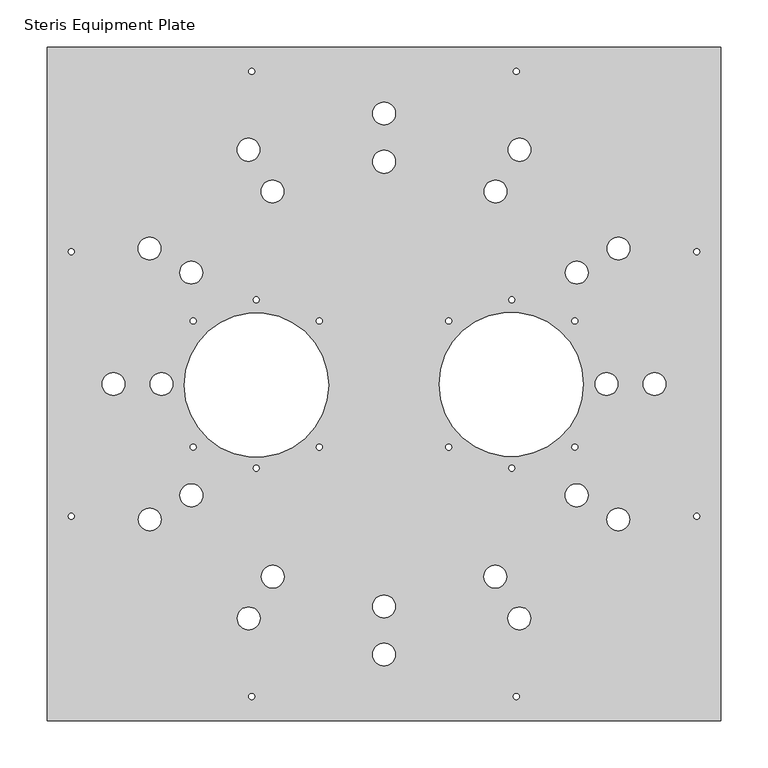
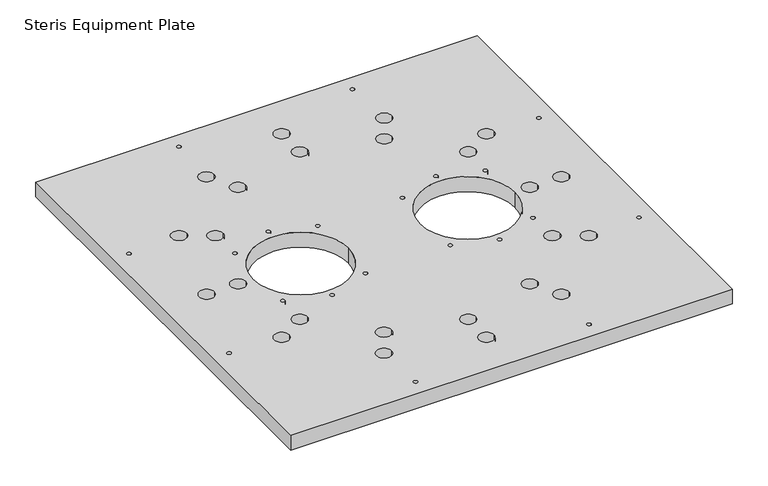
"""IFC4 building model written with IfcOpenShell, lengths in millimetres: fastener geometry, Steris Equipment Plate."""

import ifcopenshell
import ifcopenshell.guid

model = None  # the IFC model being written
_history = None  # IfcOwnerHistory: only IFC2X3 demands one
_inside = {}  # id of a spatial element -> (the spatial element, [elements in it])
_under = {}  # id of a project, library or spatial element -> (it, [spatial elements below it])
_declared = {}  # id of a project -> (the project, [libraries it declares])
_typed = {}  # id of a type object -> (the type object, [elements of that type])
_made_of = {}  # id of a material, layer set ... -> (it, [elements and type objects made of it])


def new_model(schema):
    """Start an empty IFC model of exactly this schema.

    Asked for "IFC4X3", IfcOpenShell would pick the latest addendum, in which some entities
    have other attributes; the version numbers below select the first issue.
    IFC2X3 requires an IfcOwnerHistory on every rooted entity: one is made here for all.
    """
    global model, _history
    if schema == "IFC4X3":
        model = ifcopenshell.file(schema_version=(4, 3, 0, 0))
    else:
        model = ifcopenshell.file(schema=schema)
    _inside.clear()
    _under.clear()
    _declared.clear()
    _typed.clear()
    _made_of.clear()
    _history = None
    if model.schema == "IFC2X3":
        org = make("IfcOrganization", Name="unknown")
        user = make(
            "IfcPersonAndOrganization",
            ThePerson=make("IfcPerson", FamilyName="unknown"),
            TheOrganization=org,
        )
        app = make(
            "IfcApplication",
            ApplicationDeveloper=org,
            Version="unknown",
            ApplicationFullName="unknown",
            ApplicationIdentifier="unknown",
        )
        _history = make(
            "IfcOwnerHistory",
            OwningUser=user,
            OwningApplication=app,
            ChangeAction="ADDED",
            CreationDate=0,
        )
    return model


def make(cls, **values):
    """One entity of the class cls with the attributes given. An attribute that is None is left unset."""
    return model.create_entity(
        cls, **{name: value for name, value in values.items() if value is not None}
    )


def rooted(cls, **values):
    """An entity with a GlobalId (a new one), such as an element, a storey or a relation."""
    return make(cls, GlobalId=ifcopenshell.guid.new(), OwnerHistory=_history, **values)


def si_unit(unit_type, name, prefix=None):
    """IfcSIUnit, for example si_unit("LENGTHUNIT", "METRE", prefix="MILLI")."""
    return make("IfcSIUnit", UnitType=unit_type, Prefix=prefix, Name=name)


def assignment(units):
    """IfcUnitAssignment: the units of a project."""
    return None if units is None else make("IfcUnitAssignment", Units=units)


def point(xyz):
    """IfcCartesianPoint."""
    return None if xyz is None else make("IfcCartesianPoint", Coordinates=xyz)


def direction(xyz):
    """IfcDirection."""
    return None if xyz is None else make("IfcDirection", DirectionRatios=xyz)


def frame(location, z_axis=None, x_axis=None):
    """IfcAxis2Placement3D, a coordinate frame: its origin and axes. An axis left out is left unset."""
    return make(
        "IfcAxis2Placement3D",
        Location=point(location),
        Axis=direction(z_axis),
        RefDirection=direction(x_axis),
    )


def frame_2d(location, x_axis=None):
    """IfcAxis2Placement2D, a coordinate frame in the plane: its origin and x axis."""
    return make(
        "IfcAxis2Placement2D", Location=point(location), RefDirection=direction(x_axis)
    )


def origin():
    """The frame at (0, 0, 0) with its axes left unset."""
    return frame((0.0, 0.0, 0.0))


def origin_with_axes():
    """The frame at (0, 0, 0) with the z axis (0, 0, 1) and the x axis (1, 0, 0) written out."""
    return frame((0.0, 0.0, 0.0), z_axis=(0.0, 0.0, 1.0), x_axis=(1.0, 0.0, 0.0))


def place(relative_to, where):
    """IfcLocalPlacement: puts the frame where relative to a parent placement (None: the world)."""
    return make(
        "IfcLocalPlacement", PlacementRelTo=relative_to, RelativePlacement=where
    )


def context(
    kind, dimensions, precision=None, world=None, true_north=None, identifier=None
):
    """IfcGeometricRepresentationContext, for example the 3D "Model" context."""
    return make(
        "IfcGeometricRepresentationContext",
        ContextIdentifier=identifier,
        ContextType=kind,
        CoordinateSpaceDimension=dimensions,
        Precision=precision,
        WorldCoordinateSystem=world,
        TrueNorth=true_north,
    )


def project(units=None, contexts=None):
    """IfcProject with its units and contexts."""
    return rooted(
        "IfcProject",
        Name="project",
        RepresentationContexts=contexts,
        UnitsInContext=assignment(units),
    )


def spatial(cls, under=None, at=None, **own):
    """A site, building, storey or space (cls), placed at a placement, below another one or the project."""
    s = rooted(cls, ObjectPlacement=at, **own)
    if under is not None:
        _under.setdefault(under.id(), (under, []))[1].append(s)
    return s


def polyline(points):
    """IfcPolyline through the points."""
    return make("IfcPolyline", Points=[point(p) for p in points])


def circle_curve(where, radius):
    """IfcCircle in the frame where."""
    return make("IfcCircle", Position=where, Radius=radius)


def trimmed(basis, trim1, trim2, sense, master):
    """IfcTrimmedCurve: the piece of a basis curve between two trims."""
    return make(
        "IfcTrimmedCurve",
        BasisCurve=basis,
        Trim1=trim1,
        Trim2=trim2,
        SenseAgreement=sense,
        MasterRepresentation=master,
    )


def segment(curve, same_sense, transition):
    """IfcCompositeCurveSegment."""
    return make(
        "IfcCompositeCurveSegment",
        Transition=transition,
        SameSense=same_sense,
        ParentCurve=curve,
    )


def composite_curve(segments, self_intersect=None):
    """IfcCompositeCurve: segments joined end to end."""
    return make("IfcCompositeCurve", Segments=segments, SelfIntersect=self_intersect)


def outline(outer, holes=None, kind="AREA"):
    """IfcArbitraryClosedProfileDef: a profile drawn as a closed curve; with holes, ...WithVoids."""
    if holes is None:
        return make("IfcArbitraryClosedProfileDef", ProfileType=kind, OuterCurve=outer)
    return make(
        "IfcArbitraryProfileDefWithVoids",
        ProfileType=kind,
        OuterCurve=outer,
        InnerCurves=holes,
    )


def extrude(swept, where, along, depth):
    """IfcExtrudedAreaSolid: the profile swept, set in the frame where, extruded along a direction by depth."""
    return make(
        "IfcExtrudedAreaSolid",
        SweptArea=swept,
        Position=where,
        ExtrudedDirection=direction(along),
        Depth=depth,
    )


def shape(context_of_items, identifier, shape_type, items):
    """IfcShapeRepresentation: the items that make up one representation, for example the "Body"."""
    return make(
        "IfcShapeRepresentation",
        ContextOfItems=context_of_items,
        RepresentationIdentifier=identifier,
        RepresentationType=shape_type,
        Items=items,
    )


def source(mapping_origin, context_of_items, identifier, shape_type, items):
    """IfcRepresentationMap: a shape defined once, which mapped items show again and again."""
    return make(
        "IfcRepresentationMap",
        MappingOrigin=mapping_origin,
        MappedRepresentation=shape(context_of_items, identifier, shape_type, items),
    )


def transform(
    local_origin,
    x_axis=None,
    y_axis=None,
    z_axis=None,
    scale=None,
    scale2=None,
    scale3=None,
    uniform=True,
):
    """IfcCartesianTransformationOperator3D, or its non-uniform kind. x_axis, y_axis, z_axis: its Axis1, 2, 3."""
    if uniform:
        return make(
            "IfcCartesianTransformationOperator3D",
            Axis1=direction(x_axis),
            Axis2=direction(y_axis),
            LocalOrigin=point(local_origin),
            Scale=scale,
            Axis3=direction(z_axis),
        )
    return make(
        "IfcCartesianTransformationOperator3DnonUniform",
        Axis1=direction(x_axis),
        Axis2=direction(y_axis),
        LocalOrigin=point(local_origin),
        Scale=scale,
        Axis3=direction(z_axis),
        Scale2=scale2,
        Scale3=scale3,
    )


def mapped(mapping_source, mapping_target):
    """IfcMappedItem: shows the shape of a source again, moved by a transform."""
    return make(
        "IfcMappedItem", MappingSource=mapping_source, MappingTarget=mapping_target
    )


def made_of(thing, what):
    """Note that an element or type object is made of a material, layer set ...; save() writes the relation."""
    if what is not None:
        _made_of.setdefault(what.id(), (what, []))[1].append(thing)
    return thing


def element(
    cls,
    number,
    at=None,
    inside=None,
    cuts=None,
    type_object=None,
    material=None,
    context=None,
    identifier="Body",
    shape_type=None,
    held_by="IfcProductDefinitionShape",
    body=None,
    shapes=None,
    **own,
):
    """One element of the class cls, such as IfcWall. Its Tag is "e" and its number.

    at: its placement. inside: the storey or other place that contains it. cuts: it is an
    opening in that element (IfcRelVoidsElement). A single representation is given by context,
    identifier, shape_type and body (its items); several are given by shapes. held_by: the class
    of the entity that holds the representations. save() writes the other relations.
    """
    e = rooted(cls, Tag="e%d" % number, ObjectPlacement=at, **own)
    if body is not None:
        shapes = [shape(context, identifier, shape_type, body)]
    if shapes is not None:
        e.Representation = make(held_by, Representations=shapes)
    if inside is not None:
        _inside.setdefault(inside.id(), (inside, []))[1].append(e)
    if cuts is not None:
        rooted(
            "IfcRelVoidsElement", RelatingBuildingElement=cuts, RelatedOpeningElement=e
        )
    if type_object is not None:
        _typed.setdefault(type_object.id(), (type_object, []))[1].append(e)
    return made_of(e, material)


def aggregate(whole, parts):
    """IfcRelAggregates: a whole, such as a stair, and the parts it consists of."""
    return rooted("IfcRelAggregates", RelatingObject=whole, RelatedObjects=parts)


def save(model, path):
    """Write the relations noted so far, then the file.

    IfcRelAggregates (storeys below a building ...), IfcRelContainedInSpatialStructure (elements
    in a storey), IfcRelDefinesByType, IfcRelAssociatesMaterial and IfcRelDeclares: one each for
    every whole, place, type object, material and project.
    """
    for whole, parts in _under.values():
        aggregate(whole, parts)
    for where, things in _inside.values():
        rooted(
            "IfcRelContainedInSpatialStructure",
            RelatedElements=things,
            RelatingStructure=where,
        )
    for kind, things in _typed.values():
        rooted("IfcRelDefinesByType", RelatedObjects=things, RelatingType=kind)
    for what, things in _made_of.values():
        rooted("IfcRelAssociatesMaterial", RelatedObjects=things, RelatingMaterial=what)
    for by, libraries in _declared.values():
        rooted("IfcRelDeclares", RelatingContext=by, RelatedDefinitions=libraries)
    model.write(path)


def steris_equipment_plate_7aba7738(model_context):
    return source(origin(), model_context, "Body", "SweptSolid", [
        extrude(outline(polyline([(355.8062228, 356.7452607), (355.8062228, -354.4547393), (-355.3937772, -354.4547393), (-355.3937772, 356.7452607), (355.8062228, 356.7452607)]), holes=[composite_curve([segment(trimmed(circle_curve(frame_2d((-134.5426921, 0.0)), 76.2), [point((-210.7426921, 0.0))], [point((-58.3426921, 0.0))], True, "CARTESIAN"), True, "CONTINUOUS"), segment(trimmed(circle_curve(frame_2d((-134.5426921, 0.0)), 76.2), [point((-58.3426921, 0.0))], [point((-210.7426921, 0.0))], True, "CARTESIAN"), True, "CONTINUOUS")], self_intersect=False), composite_curve([segment(trimmed(circle_curve(frame_2d((0.323437, 286.8952366)), 12.0232448), [point((-11.6998079, 286.8952366))], [point((12.3466818, 286.8952366))], True, "CARTESIAN"), True, "CONTINUOUS"), segment(trimmed(circle_curve(frame_2d((0.323437, 286.8952366)), 12.0232448), [point((12.3466818, 286.8952366))], [point((-11.6998079, 286.8952366))], True, "CARTESIAN"), True, "CONTINUOUS")], self_intersect=False), composite_curve([segment(trimmed(circle_curve(frame_2d((134.5385579, 0.79375)), 76.2), [point((58.3385579, 0.79375))], [point((210.7385579, 0.79375))], True, "CARTESIAN"), True, "CONTINUOUS"), segment(trimmed(circle_curve(frame_2d((134.5385579, 0.79375)), 76.2), [point((210.7385579, 0.79375))], [point((58.3385579, 0.79375))], True, "CARTESIAN"), True, "CONTINUOUS")], self_intersect=False), composite_curve([segment(trimmed(circle_curve(frame_2d((0.323437, 235.9593277)), 12.0232448), [point((-11.6998079, 235.9593277))], [point((12.3466818, 235.9593277))], True, "CARTESIAN"), True, "CONTINUOUS"), segment(trimmed(circle_curve(frame_2d((0.323437, 235.9593277)), 12.0232448), [point((12.3466818, 235.9593277))], [point((-11.6998079, 235.9593277))], True, "CARTESIAN"), True, "CONTINUOUS")], self_intersect=False), composite_curve([segment(trimmed(circle_curve(frame_2d((0.2242182, -233.8266479)), 12.0232448), [point((-11.7990266, -233.8266479))], [point((12.2474631, -233.8266479))], True, "CARTESIAN"), True, "CONTINUOUS"), segment(trimmed(circle_curve(frame_2d((0.2242182, -233.8266479)), 12.0232448), [point((12.2474631, -233.8266479))], [point((-11.7990266, -233.8266479))], True, "CARTESIAN"), True, "CONTINUOUS")], self_intersect=False), composite_curve([segment(trimmed(circle_curve(frame_2d((0.2242182, -284.6047388)), 12.0232448), [point((-11.7990266, -284.6047388))], [point((12.2474631, -284.6047388))], True, "CARTESIAN"), True, "CONTINUOUS"), segment(trimmed(circle_curve(frame_2d((0.2242182, -284.6047388)), 12.0232448), [point((12.2474631, -284.6047388))], [point((-11.7990266, -284.6047388))], True, "CARTESIAN"), True, "CONTINUOUS")], self_intersect=False), composite_curve([segment(trimmed(circle_curve(frame_2d((-139.5156528, 331.3199666)), 3.1535224), [point((-142.6691752, 331.3199666))], [point((-136.3621304, 331.3199666))], True, "CARTESIAN"), True, "CONTINUOUS"), segment(trimmed(circle_curve(frame_2d((-139.5156528, 331.3199666)), 3.1535224), [point((-136.3621304, 331.3199666))], [point((-142.6691752, 331.3199666))], True, "CARTESIAN"), True, "CONTINUOUS")], self_intersect=False), composite_curve([segment(trimmed(circle_curve(frame_2d((-329.9723506, 140.8632687)), 3.1535224), [point((-333.125873, 140.8632687))], [point((-326.8188282, 140.8632687))], True, "CARTESIAN"), True, "CONTINUOUS"), segment(trimmed(circle_curve(frame_2d((-329.9723506, 140.8632687)), 3.1535224), [point((-326.8188282, 140.8632687))], [point((-333.125873, 140.8632687))], True, "CARTESIAN"), True, "CONTINUOUS")], self_intersect=False), composite_curve([segment(trimmed(circle_curve(frame_2d((-134.7097996, 90.0452607)), 3.1535224), [point((-137.8633219, 90.0452607))], [point((-131.5562772, 90.0452607))], True, "CARTESIAN"), True, "CONTINUOUS"), segment(trimmed(circle_curve(frame_2d((-134.7097996, 90.0452607)), 3.1535224), [point((-131.5562772, 90.0452607))], [point((-137.8633219, 90.0452607))], True, "CARTESIAN"), True, "CONTINUOUS")], self_intersect=False), composite_curve([segment(trimmed(circle_curve(frame_2d((-201.4044423, 67.7652905)), 3.1535224), [point((-204.5579647, 67.7652905))], [point((-198.2509199, 67.7652905))], True, "CARTESIAN"), True, "CONTINUOUS"), segment(trimmed(circle_curve(frame_2d((-201.4044423, 67.7652905)), 3.1535224), [point((-198.2509199, 67.7652905))], [point((-204.5579647, 67.7652905))], True, "CARTESIAN"), True, "CONTINUOUS")], self_intersect=False), composite_curve([segment(trimmed(circle_curve(frame_2d((-68.0352755, 67.7652905)), 3.1535224), [point((-71.1887978, 67.7652905))], [point((-64.8817531, 67.7652905))], True, "CARTESIAN"), True, "CONTINUOUS"), segment(trimmed(circle_curve(frame_2d((-68.0352755, 67.7652905)), 3.1535224), [point((-64.8817531, 67.7652905))], [point((-71.1887978, 67.7652905))], True, "CARTESIAN"), True, "CONTINUOUS")], self_intersect=False), composite_curve([segment(trimmed(circle_curve(frame_2d((-68.0352755, -65.5847095)), 3.1535224), [point((-71.1887978, -65.5847095))], [point((-64.8817531, -65.5847095))], True, "CARTESIAN"), True, "CONTINUOUS"), segment(trimmed(circle_curve(frame_2d((-68.0352755, -65.5847095)), 3.1535224), [point((-64.8817531, -65.5847095))], [point((-71.1887978, -65.5847095))], True, "CARTESIAN"), True, "CONTINUOUS")], self_intersect=False), composite_curve([segment(trimmed(circle_curve(frame_2d((-134.7097996, -87.7547393)), 3.1535224), [point((-137.8633219, -87.7547393))], [point((-131.5562772, -87.7547393))], True, "CARTESIAN"), True, "CONTINUOUS"), segment(trimmed(circle_curve(frame_2d((-134.7097996, -87.7547393)), 3.1535224), [point((-131.5562772, -87.7547393))], [point((-137.8633219, -87.7547393))], True, "CARTESIAN"), True, "CONTINUOUS")], self_intersect=False), composite_curve([segment(trimmed(circle_curve(frame_2d((-201.3847996, -65.5297393)), 3.1535224), [point((-204.5383219, -65.5297393))], [point((-198.2312772, -65.5297393))], True, "CARTESIAN"), True, "CONTINUOUS"), segment(trimmed(circle_curve(frame_2d((-201.3847996, -65.5297393)), 3.1535224), [point((-198.2312772, -65.5297393))], [point((-204.5383219, -65.5297393))], True, "CARTESIAN"), True, "CONTINUOUS")], self_intersect=False), composite_curve([segment(trimmed(circle_curve(frame_2d((-139.5163777, -329.0179882)), 3.1535224), [point((-142.6699001, -329.0179882))], [point((-136.3628554, -329.0179882))], True, "CARTESIAN"), True, "CONTINUOUS"), segment(trimmed(circle_curve(frame_2d((-139.5163777, -329.0179882)), 3.1535224), [point((-136.3628554, -329.0179882))], [point((-142.6699001, -329.0179882))], True, "CARTESIAN"), True, "CONTINUOUS")], self_intersect=False), composite_curve([segment(trimmed(circle_curve(frame_2d((-329.972308, -138.5620579)), 3.1535224), [point((-333.1258304, -138.5620579))], [point((-326.8187856, -138.5620579))], True, "CARTESIAN"), True, "CONTINUOUS"), segment(trimmed(circle_curve(frame_2d((-329.972308, -138.5620579)), 3.1535224), [point((-326.8187856, -138.5620579))], [point((-333.1258304, -138.5620579))], True, "CARTESIAN"), True, "CONTINUOUS")], self_intersect=False), composite_curve([segment(trimmed(circle_curve(frame_2d((-117.5951859, 204.574538)), 12.0232448), [point((-129.6184308, 204.574538))], [point((-105.5719411, 204.574538))], True, "CARTESIAN"), True, "CONTINUOUS"), segment(trimmed(circle_curve(frame_2d((-117.5951859, 204.574538)), 12.0232448), [point((-105.5719411, 204.574538))], [point((-129.6184308, 204.574538))], True, "CARTESIAN"), True, "CONTINUOUS")], self_intersect=False), composite_curve([segment(trimmed(circle_curve(frame_2d((-142.9951859, 248.5686285)), 12.0232448), [point((-155.0184308, 248.5686285))], [point((-130.9719411, 248.5686285))], True, "CARTESIAN"), True, "CONTINUOUS"), segment(trimmed(circle_curve(frame_2d((-142.9951859, 248.5686285)), 12.0232448), [point((-130.9719411, 248.5686285))], [point((-155.0184308, 248.5686285))], True, "CARTESIAN"), True, "CONTINUOUS")], self_intersect=False), composite_curve([segment(trimmed(circle_curve(frame_2d((-203.4297037, 118.7400202)), 12.0232448), [point((-215.4529485, 118.7400202))], [point((-191.4064589, 118.7400202))], True, "CARTESIAN"), True, "CONTINUOUS"), segment(trimmed(circle_curve(frame_2d((-203.4297037, 118.7400202)), 12.0232448), [point((-191.4064589, 118.7400202))], [point((-215.4529485, 118.7400202))], True, "CARTESIAN"), True, "CONTINUOUS")], self_intersect=False), composite_curve([segment(trimmed(circle_curve(frame_2d((-247.4237942, 144.1400202)), 12.0232448), [point((-259.4470391, 144.1400202))], [point((-235.4005494, 144.1400202))], True, "CARTESIAN"), True, "CONTINUOUS"), segment(trimmed(circle_curve(frame_2d((-247.4237942, 144.1400202)), 12.0232448), [point((-235.4005494, 144.1400202))], [point((-259.4470391, 144.1400202))], True, "CARTESIAN"), True, "CONTINUOUS")], self_intersect=False), composite_curve([segment(trimmed(circle_curve(frame_2d((-285.5428382, 1.0840613)), 12.0232448), [point((-297.566083, 1.0840613))], [point((-273.5195933, 1.0840613))], True, "CARTESIAN"), True, "CONTINUOUS"), segment(trimmed(circle_curve(frame_2d((-285.5428382, 1.0840613)), 12.0232448), [point((-273.5195933, 1.0840613))], [point((-297.566083, 1.0840613))], True, "CARTESIAN"), True, "CONTINUOUS")], self_intersect=False), composite_curve([segment(trimmed(circle_curve(frame_2d((-234.7428382, 1.0840613)), 12.0232448), [point((-246.766083, 1.0840613))], [point((-222.7195933, 1.0840613))], True, "CARTESIAN"), True, "CONTINUOUS"), segment(trimmed(circle_curve(frame_2d((-234.7428382, 1.0840613)), 12.0232448), [point((-222.7195933, 1.0840613))], [point((-246.766083, 1.0840613))], True, "CARTESIAN"), True, "CONTINUOUS")], self_intersect=False), composite_curve([segment(trimmed(circle_curve(frame_2d((-247.2455032, -141.8435386)), 12.0232448), [point((-259.2687481, -141.8435386))], [point((-235.2222584, -141.8435386))], True, "CARTESIAN"), True, "CONTINUOUS"), segment(trimmed(circle_curve(frame_2d((-247.2455032, -141.8435386)), 12.0232448), [point((-235.2222584, -141.8435386))], [point((-259.2687481, -141.8435386))], True, "CARTESIAN"), True, "CONTINUOUS")], self_intersect=False), composite_curve([segment(trimmed(circle_curve(frame_2d((-203.2514127, -116.4435386)), 12.0232448), [point((-215.2746576, -116.4435386))], [point((-191.2281679, -116.4435386))], True, "CARTESIAN"), True, "CONTINUOUS"), segment(trimmed(circle_curve(frame_2d((-203.2514127, -116.4435386)), 12.0232448), [point((-191.2281679, -116.4435386))], [point((-215.2746576, -116.4435386))], True, "CARTESIAN"), True, "CONTINUOUS")], self_intersect=False), composite_curve([segment(trimmed(circle_curve(frame_2d((-117.3209923, -202.373959)), 12.0232448), [point((-129.3442371, -202.373959))], [point((-105.2977475, -202.373959))], True, "CARTESIAN"), True, "CONTINUOUS"), segment(trimmed(circle_curve(frame_2d((-117.3209923, -202.373959)), 12.0232448), [point((-105.2977475, -202.373959))], [point((-129.3442371, -202.373959))], True, "CARTESIAN"), True, "CONTINUOUS")], self_intersect=False), composite_curve([segment(trimmed(circle_curve(frame_2d((-142.7209923, -246.3680495)), 12.0232448), [point((-154.7442371, -246.3680495))], [point((-130.6977475, -246.3680495))], True, "CARTESIAN"), True, "CONTINUOUS"), segment(trimmed(circle_curve(frame_2d((-142.7209923, -246.3680495)), 12.0232448), [point((-130.6977475, -246.3680495))], [point((-154.7442371, -246.3680495))], True, "CARTESIAN"), True, "CONTINUOUS")], self_intersect=False), composite_curve([segment(trimmed(circle_curve(frame_2d((139.9280984, 331.3199666)), 3.1535224), [point((136.774576, 331.3199666))], [point((143.0816208, 331.3199666))], True, "CARTESIAN"), True, "CONTINUOUS"), segment(trimmed(circle_curve(frame_2d((139.9280984, 331.3199666)), 3.1535224), [point((143.0816208, 331.3199666))], [point((136.774576, 331.3199666))], True, "CARTESIAN"), True, "CONTINUOUS")], self_intersect=False), composite_curve([segment(trimmed(circle_curve(frame_2d((330.3847963, 140.8632687)), 3.1535224), [point((327.2312739, 140.8632687))], [point((333.5383186, 140.8632687))], True, "CARTESIAN"), True, "CONTINUOUS"), segment(trimmed(circle_curve(frame_2d((330.3847963, 140.8632687)), 3.1535224), [point((333.5383186, 140.8632687))], [point((327.2312739, 140.8632687))], True, "CARTESIAN"), True, "CONTINUOUS")], self_intersect=False), composite_curve([segment(trimmed(circle_curve(frame_2d((135.1222452, 90.0452607)), 3.1535224), [point((131.9687228, 90.0452607))], [point((138.2757676, 90.0452607))], True, "CARTESIAN"), True, "CONTINUOUS"), segment(trimmed(circle_curve(frame_2d((135.1222452, 90.0452607)), 3.1535224), [point((138.2757676, 90.0452607))], [point((131.9687228, 90.0452607))], True, "CARTESIAN"), True, "CONTINUOUS")], self_intersect=False), composite_curve([segment(trimmed(circle_curve(frame_2d((201.8168879, 67.7652905)), 3.1535224), [point((198.6633655, 67.7652905))], [point((204.9704103, 67.7652905))], True, "CARTESIAN"), True, "CONTINUOUS"), segment(trimmed(circle_curve(frame_2d((201.8168879, 67.7652905)), 3.1535224), [point((204.9704103, 67.7652905))], [point((198.6633655, 67.7652905))], True, "CARTESIAN"), True, "CONTINUOUS")], self_intersect=False), composite_curve([segment(trimmed(circle_curve(frame_2d((68.4477211, 67.7652905)), 3.1535224), [point((65.2941987, 67.7652905))], [point((71.6012435, 67.7652905))], True, "CARTESIAN"), True, "CONTINUOUS"), segment(trimmed(circle_curve(frame_2d((68.4477211, 67.7652905)), 3.1535224), [point((71.6012435, 67.7652905))], [point((65.2941987, 67.7652905))], True, "CARTESIAN"), True, "CONTINUOUS")], self_intersect=False), composite_curve([segment(trimmed(circle_curve(frame_2d((68.4477211, -65.5847095)), 3.1535224), [point((65.2941987, -65.5847095))], [point((71.6012435, -65.5847095))], True, "CARTESIAN"), True, "CONTINUOUS"), segment(trimmed(circle_curve(frame_2d((68.4477211, -65.5847095)), 3.1535224), [point((71.6012435, -65.5847095))], [point((65.2941987, -65.5847095))], True, "CARTESIAN"), True, "CONTINUOUS")], self_intersect=False), composite_curve([segment(trimmed(circle_curve(frame_2d((135.1222452, -87.7547393)), 3.1535224), [point((131.9687228, -87.7547393))], [point((138.2757676, -87.7547393))], True, "CARTESIAN"), True, "CONTINUOUS"), segment(trimmed(circle_curve(frame_2d((135.1222452, -87.7547393)), 3.1535224), [point((138.2757676, -87.7547393))], [point((131.9687228, -87.7547393))], True, "CARTESIAN"), True, "CONTINUOUS")], self_intersect=False), composite_curve([segment(trimmed(circle_curve(frame_2d((201.7972452, -65.5297393)), 3.1535224), [point((198.6437228, -65.5297393))], [point((204.9507676, -65.5297393))], True, "CARTESIAN"), True, "CONTINUOUS"), segment(trimmed(circle_curve(frame_2d((201.7972452, -65.5297393)), 3.1535224), [point((204.9507676, -65.5297393))], [point((198.6437228, -65.5297393))], True, "CARTESIAN"), True, "CONTINUOUS")], self_intersect=False), composite_curve([segment(trimmed(circle_curve(frame_2d((139.9288234, -329.0179882)), 3.1535224), [point((136.775301, -329.0179882))], [point((143.0823458, -329.0179882))], True, "CARTESIAN"), True, "CONTINUOUS"), segment(trimmed(circle_curve(frame_2d((139.9288234, -329.0179882)), 3.1535224), [point((143.0823458, -329.0179882))], [point((136.775301, -329.0179882))], True, "CARTESIAN"), True, "CONTINUOUS")], self_intersect=False), composite_curve([segment(trimmed(circle_curve(frame_2d((330.3847536, -138.5620579)), 3.1535224), [point((327.2312313, -138.5620579))], [point((333.538276, -138.5620579))], True, "CARTESIAN"), True, "CONTINUOUS"), segment(trimmed(circle_curve(frame_2d((330.3847536, -138.5620579)), 3.1535224), [point((333.538276, -138.5620579))], [point((327.2312313, -138.5620579))], True, "CARTESIAN"), True, "CONTINUOUS")], self_intersect=False), composite_curve([segment(trimmed(circle_curve(frame_2d((118.0076316, 204.574538)), 12.0232448), [point((105.9843867, 204.574538))], [point((130.0308764, 204.574538))], True, "CARTESIAN"), True, "CONTINUOUS"), segment(trimmed(circle_curve(frame_2d((118.0076316, 204.574538)), 12.0232448), [point((130.0308764, 204.574538))], [point((105.9843867, 204.574538))], True, "CARTESIAN"), True, "CONTINUOUS")], self_intersect=False), composite_curve([segment(trimmed(circle_curve(frame_2d((143.4076316, 248.5686285)), 12.0232448), [point((131.3843867, 248.5686285))], [point((155.4308764, 248.5686285))], True, "CARTESIAN"), True, "CONTINUOUS"), segment(trimmed(circle_curve(frame_2d((143.4076316, 248.5686285)), 12.0232448), [point((155.4308764, 248.5686285))], [point((131.3843867, 248.5686285))], True, "CARTESIAN"), True, "CONTINUOUS")], self_intersect=False), composite_curve([segment(trimmed(circle_curve(frame_2d((203.8421493, 118.7400202)), 12.0232448), [point((191.8189045, 118.7400202))], [point((215.8653942, 118.7400202))], True, "CARTESIAN"), True, "CONTINUOUS"), segment(trimmed(circle_curve(frame_2d((203.8421493, 118.7400202)), 12.0232448), [point((215.8653942, 118.7400202))], [point((191.8189045, 118.7400202))], True, "CARTESIAN"), True, "CONTINUOUS")], self_intersect=False), composite_curve([segment(trimmed(circle_curve(frame_2d((247.8362399, 144.1400202)), 12.0232448), [point((235.812995, 144.1400202))], [point((259.8594847, 144.1400202))], True, "CARTESIAN"), True, "CONTINUOUS"), segment(trimmed(circle_curve(frame_2d((247.8362399, 144.1400202)), 12.0232448), [point((259.8594847, 144.1400202))], [point((235.812995, 144.1400202))], True, "CARTESIAN"), True, "CONTINUOUS")], self_intersect=False), composite_curve([segment(trimmed(circle_curve(frame_2d((285.9552838, 1.0840613)), 12.0232448), [point((273.932039, 1.0840613))], [point((297.9785287, 1.0840613))], True, "CARTESIAN"), True, "CONTINUOUS"), segment(trimmed(circle_curve(frame_2d((285.9552838, 1.0840613)), 12.0232448), [point((297.9785287, 1.0840613))], [point((273.932039, 1.0840613))], True, "CARTESIAN"), True, "CONTINUOUS")], self_intersect=False), composite_curve([segment(trimmed(circle_curve(frame_2d((235.1552838, 1.0840613)), 12.0232448), [point((223.132039, 1.0840613))], [point((247.1785287, 1.0840613))], True, "CARTESIAN"), True, "CONTINUOUS"), segment(trimmed(circle_curve(frame_2d((235.1552838, 1.0840613)), 12.0232448), [point((247.1785287, 1.0840613))], [point((223.132039, 1.0840613))], True, "CARTESIAN"), True, "CONTINUOUS")], self_intersect=False), composite_curve([segment(trimmed(circle_curve(frame_2d((247.6579489, -141.8435386)), 12.0232448), [point((235.634704, -141.8435386))], [point((259.6811937, -141.8435386))], True, "CARTESIAN"), True, "CONTINUOUS"), segment(trimmed(circle_curve(frame_2d((247.6579489, -141.8435386)), 12.0232448), [point((259.6811937, -141.8435386))], [point((235.634704, -141.8435386))], True, "CARTESIAN"), True, "CONTINUOUS")], self_intersect=False), composite_curve([segment(trimmed(circle_curve(frame_2d((203.6638583, -116.4435386)), 12.0232448), [point((191.6406135, -116.4435386))], [point((215.6871032, -116.4435386))], True, "CARTESIAN"), True, "CONTINUOUS"), segment(trimmed(circle_curve(frame_2d((203.6638583, -116.4435386)), 12.0232448), [point((215.6871032, -116.4435386))], [point((191.6406135, -116.4435386))], True, "CARTESIAN"), True, "CONTINUOUS")], self_intersect=False), composite_curve([segment(trimmed(circle_curve(frame_2d((117.7334379, -202.373959)), 12.0232448), [point((105.7101931, -202.373959))], [point((129.7566828, -202.373959))], True, "CARTESIAN"), True, "CONTINUOUS"), segment(trimmed(circle_curve(frame_2d((117.7334379, -202.373959)), 12.0232448), [point((129.7566828, -202.373959))], [point((105.7101931, -202.373959))], True, "CARTESIAN"), True, "CONTINUOUS")], self_intersect=False), composite_curve([segment(trimmed(circle_curve(frame_2d((143.1334379, -246.3680495)), 12.0232448), [point((131.1101931, -246.3680495))], [point((155.1566828, -246.3680495))], True, "CARTESIAN"), True, "CONTINUOUS"), segment(trimmed(circle_curve(frame_2d((143.1334379, -246.3680495)), 12.0232448), [point((155.1566828, -246.3680495))], [point((131.1101931, -246.3680495))], True, "CARTESIAN"), True, "CONTINUOUS")], self_intersect=False)]), origin_with_axes(), (0.0, 0.0, 1.0), 25.4),
    ])


if __name__ == "__main__":
    model = new_model("IFC4")
    model_context = context("Model", 3, world=origin())
    ifc_project = project(units=[si_unit("LENGTHUNIT", "METRE", prefix="MILLI")], contexts=[model_context])
    site = spatial("IfcSite", under=ifc_project)
    building = spatial("IfcBuilding", under=site)
    placement = place(None, origin())
    steris_equipment_plate_shape = steris_equipment_plate_7aba7738(model_context)
    element("IfcFastener", 1, ObjectType="Steris Equipment Plate", at=placement, inside=building, context=model_context, shape_type="MappedRepresentation", body=[
        mapped(steris_equipment_plate_shape, transform((0.0, 0.0, 0.0), x_axis=(1.0, 0.0, 0.0), y_axis=(0.0, 1.0, 0.0), z_axis=(0.0, 0.0, 1.0))),
    ])
    save(model, "model.ifc")
